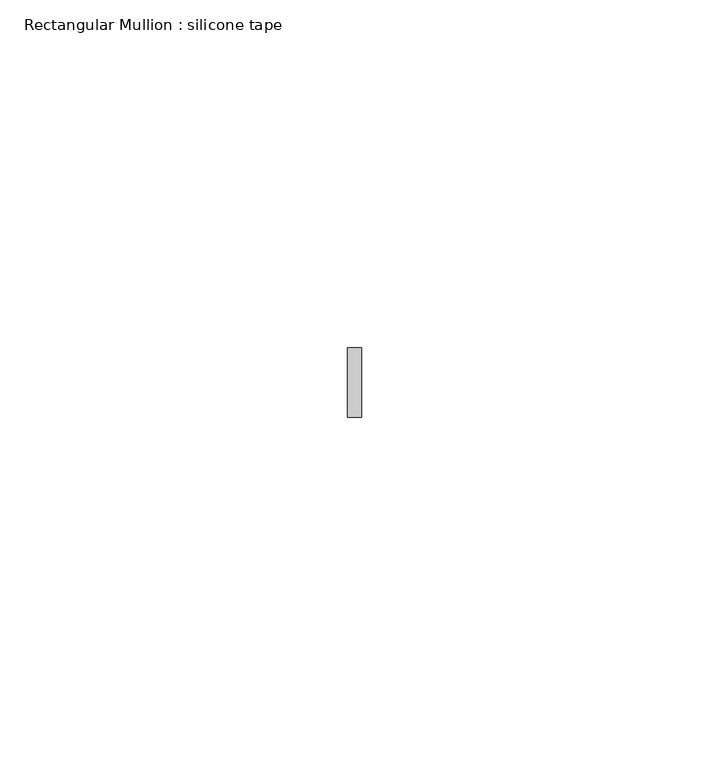
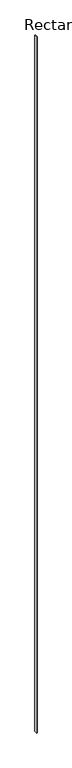
"""IFC4 building model written with IfcOpenShell, lengths in millimetres: member geometry, Rectangular Mullion : silicone tape."""

import ifcopenshell
import ifcopenshell.guid

model = None  # the IFC model being written
_history = None  # IfcOwnerHistory: only IFC2X3 demands one
_inside = {}  # id of a spatial element -> (the spatial element, [elements in it])
_under = {}  # id of a project, library or spatial element -> (it, [spatial elements below it])
_declared = {}  # id of a project -> (the project, [libraries it declares])
_typed = {}  # id of a type object -> (the type object, [elements of that type])
_made_of = {}  # id of a material, layer set ... -> (it, [elements and type objects made of it])


def new_model(schema):
    """Start an empty IFC model of exactly this schema.

    Asked for "IFC4X3", IfcOpenShell would pick the latest addendum, in which some entities
    have other attributes; the version numbers below select the first issue.
    IFC2X3 requires an IfcOwnerHistory on every rooted entity: one is made here for all.
    """
    global model, _history
    if schema == "IFC4X3":
        model = ifcopenshell.file(schema_version=(4, 3, 0, 0))
    else:
        model = ifcopenshell.file(schema=schema)
    _inside.clear()
    _under.clear()
    _declared.clear()
    _typed.clear()
    _made_of.clear()
    _history = None
    if model.schema == "IFC2X3":
        org = make("IfcOrganization", Name="unknown")
        user = make(
            "IfcPersonAndOrganization",
            ThePerson=make("IfcPerson", FamilyName="unknown"),
            TheOrganization=org,
        )
        app = make(
            "IfcApplication",
            ApplicationDeveloper=org,
            Version="unknown",
            ApplicationFullName="unknown",
            ApplicationIdentifier="unknown",
        )
        _history = make(
            "IfcOwnerHistory",
            OwningUser=user,
            OwningApplication=app,
            ChangeAction="ADDED",
            CreationDate=0,
        )
    return model


def make(cls, **values):
    """One entity of the class cls with the attributes given. An attribute that is None is left unset."""
    return model.create_entity(
        cls, **{name: value for name, value in values.items() if value is not None}
    )


def rooted(cls, **values):
    """An entity with a GlobalId (a new one), such as an element, a storey or a relation."""
    return make(cls, GlobalId=ifcopenshell.guid.new(), OwnerHistory=_history, **values)


def si_unit(unit_type, name, prefix=None):
    """IfcSIUnit, for example si_unit("LENGTHUNIT", "METRE", prefix="MILLI")."""
    return make("IfcSIUnit", UnitType=unit_type, Prefix=prefix, Name=name)


def assignment(units):
    """IfcUnitAssignment: the units of a project."""
    return None if units is None else make("IfcUnitAssignment", Units=units)


def point(xyz):
    """IfcCartesianPoint."""
    return None if xyz is None else make("IfcCartesianPoint", Coordinates=xyz)


def direction(xyz):
    """IfcDirection."""
    return None if xyz is None else make("IfcDirection", DirectionRatios=xyz)


def frame(location, z_axis=None, x_axis=None):
    """IfcAxis2Placement3D, a coordinate frame: its origin and axes. An axis left out is left unset."""
    return make(
        "IfcAxis2Placement3D",
        Location=point(location),
        Axis=direction(z_axis),
        RefDirection=direction(x_axis),
    )


def origin():
    """The frame at (0, 0, 0) with its axes left unset."""
    return frame((0.0, 0.0, 0.0))


def place(relative_to, where):
    """IfcLocalPlacement: puts the frame where relative to a parent placement (None: the world)."""
    return make(
        "IfcLocalPlacement", PlacementRelTo=relative_to, RelativePlacement=where
    )


def context(
    kind, dimensions, precision=None, world=None, true_north=None, identifier=None
):
    """IfcGeometricRepresentationContext, for example the 3D "Model" context."""
    return make(
        "IfcGeometricRepresentationContext",
        ContextIdentifier=identifier,
        ContextType=kind,
        CoordinateSpaceDimension=dimensions,
        Precision=precision,
        WorldCoordinateSystem=world,
        TrueNorth=true_north,
    )


def project(units=None, contexts=None):
    """IfcProject with its units and contexts."""
    return rooted(
        "IfcProject",
        Name="project",
        RepresentationContexts=contexts,
        UnitsInContext=assignment(units),
    )


def spatial(cls, under=None, at=None, **own):
    """A site, building, storey or space (cls), placed at a placement, below another one or the project."""
    s = rooted(cls, ObjectPlacement=at, **own)
    if under is not None:
        _under.setdefault(under.id(), (under, []))[1].append(s)
    return s


def polyline(points):
    """IfcPolyline through the points."""
    return make("IfcPolyline", Points=[point(p) for p in points])


def outline(outer, holes=None, kind="AREA"):
    """IfcArbitraryClosedProfileDef: a profile drawn as a closed curve; with holes, ...WithVoids."""
    if holes is None:
        return make("IfcArbitraryClosedProfileDef", ProfileType=kind, OuterCurve=outer)
    return make(
        "IfcArbitraryProfileDefWithVoids",
        ProfileType=kind,
        OuterCurve=outer,
        InnerCurves=holes,
    )


def extrude(swept, where, along, depth):
    """IfcExtrudedAreaSolid: the profile swept, set in the frame where, extruded along a direction by depth."""
    return make(
        "IfcExtrudedAreaSolid",
        SweptArea=swept,
        Position=where,
        ExtrudedDirection=direction(along),
        Depth=depth,
    )


def shape(context_of_items, identifier, shape_type, items):
    """IfcShapeRepresentation: the items that make up one representation, for example the "Body"."""
    return make(
        "IfcShapeRepresentation",
        ContextOfItems=context_of_items,
        RepresentationIdentifier=identifier,
        RepresentationType=shape_type,
        Items=items,
    )


def source(mapping_origin, context_of_items, identifier, shape_type, items):
    """IfcRepresentationMap: a shape defined once, which mapped items show again and again."""
    return make(
        "IfcRepresentationMap",
        MappingOrigin=mapping_origin,
        MappedRepresentation=shape(context_of_items, identifier, shape_type, items),
    )


def transform(
    local_origin,
    x_axis=None,
    y_axis=None,
    z_axis=None,
    scale=None,
    scale2=None,
    scale3=None,
    uniform=True,
):
    """IfcCartesianTransformationOperator3D, or its non-uniform kind. x_axis, y_axis, z_axis: its Axis1, 2, 3."""
    if uniform:
        return make(
            "IfcCartesianTransformationOperator3D",
            Axis1=direction(x_axis),
            Axis2=direction(y_axis),
            LocalOrigin=point(local_origin),
            Scale=scale,
            Axis3=direction(z_axis),
        )
    return make(
        "IfcCartesianTransformationOperator3DnonUniform",
        Axis1=direction(x_axis),
        Axis2=direction(y_axis),
        LocalOrigin=point(local_origin),
        Scale=scale,
        Axis3=direction(z_axis),
        Scale2=scale2,
        Scale3=scale3,
    )


def mapped(mapping_source, mapping_target):
    """IfcMappedItem: shows the shape of a source again, moved by a transform."""
    return make(
        "IfcMappedItem", MappingSource=mapping_source, MappingTarget=mapping_target
    )


def made_of(thing, what):
    """Note that an element or type object is made of a material, layer set ...; save() writes the relation."""
    if what is not None:
        _made_of.setdefault(what.id(), (what, []))[1].append(thing)
    return thing


def element(
    cls,
    number,
    at=None,
    inside=None,
    cuts=None,
    type_object=None,
    material=None,
    context=None,
    identifier="Body",
    shape_type=None,
    held_by="IfcProductDefinitionShape",
    body=None,
    shapes=None,
    **own,
):
    """One element of the class cls, such as IfcWall. Its Tag is "e" and its number.

    at: its placement. inside: the storey or other place that contains it. cuts: it is an
    opening in that element (IfcRelVoidsElement). A single representation is given by context,
    identifier, shape_type and body (its items); several are given by shapes. held_by: the class
    of the entity that holds the representations. save() writes the other relations.
    """
    e = rooted(cls, Tag="e%d" % number, ObjectPlacement=at, **own)
    if body is not None:
        shapes = [shape(context, identifier, shape_type, body)]
    if shapes is not None:
        e.Representation = make(held_by, Representations=shapes)
    if inside is not None:
        _inside.setdefault(inside.id(), (inside, []))[1].append(e)
    if cuts is not None:
        rooted(
            "IfcRelVoidsElement", RelatingBuildingElement=cuts, RelatedOpeningElement=e
        )
    if type_object is not None:
        _typed.setdefault(type_object.id(), (type_object, []))[1].append(e)
    return made_of(e, material)


def aggregate(whole, parts):
    """IfcRelAggregates: a whole, such as a stair, and the parts it consists of."""
    return rooted("IfcRelAggregates", RelatingObject=whole, RelatedObjects=parts)


def save(model, path):
    """Write the relations noted so far, then the file.

    IfcRelAggregates (storeys below a building ...), IfcRelContainedInSpatialStructure (elements
    in a storey), IfcRelDefinesByType, IfcRelAssociatesMaterial and IfcRelDeclares: one each for
    every whole, place, type object, material and project.
    """
    for whole, parts in _under.values():
        aggregate(whole, parts)
    for where, things in _inside.values():
        rooted(
            "IfcRelContainedInSpatialStructure",
            RelatedElements=things,
            RelatingStructure=where,
        )
    for kind, things in _typed.values():
        rooted("IfcRelDefinesByType", RelatedObjects=things, RelatingType=kind)
    for what, things in _made_of.values():
        rooted("IfcRelAssociatesMaterial", RelatedObjects=things, RelatingMaterial=what)
    for by, libraries in _declared.values():
        rooted("IfcRelDeclares", RelatingContext=by, RelatedDefinitions=libraries)
    model.write(path)


def rectangular_mullion_silicone_tape_773c5a27(model_context):
    return source(origin(), model_context, "Body", "SweptSolid", [
        extrude(outline(polyline([(1.0, -5.0), (-1.0, -5.0), (-1.0, 5.0), (1.0, 5.0), (1.0, -5.0)])), frame((0.0, 0.0, -2640.0000015), z_axis=(0.0, 0.0, 1.0), x_axis=(1.0, 0.0, 0.0)), (0.0, 0.0, 1.0), 2640.0000015),
    ])


if __name__ == "__main__":
    model = new_model("IFC4")
    model_context = context("Model", 3, world=origin())
    ifc_project = project(units=[si_unit("LENGTHUNIT", "METRE", prefix="MILLI")], contexts=[model_context])
    site = spatial("IfcSite", under=ifc_project)
    building = spatial("IfcBuilding", under=site)
    placement = place(None, origin())
    rectangular_mullion_silicone_tape_shape = rectangular_mullion_silicone_tape_773c5a27(model_context)
    element("IfcMember", 1, ObjectType="Rectangular Mullion : silicone tape", at=placement, inside=building, context=model_context, shape_type="MappedRepresentation", body=[
        mapped(rectangular_mullion_silicone_tape_shape, transform((0.0, 0.0, 0.0), x_axis=(1.0, 0.0, 0.0), y_axis=(0.0, 1.0, 0.0), z_axis=(0.0, 0.0, 1.0))),
    ])
    save(model, "model.ifc")
